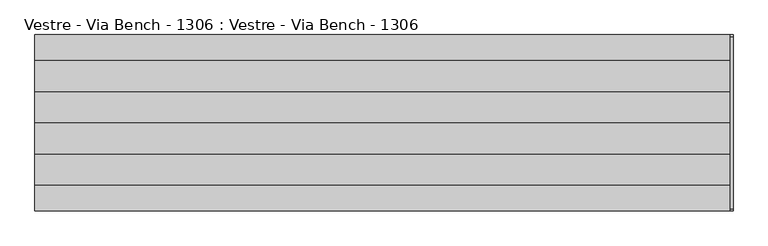
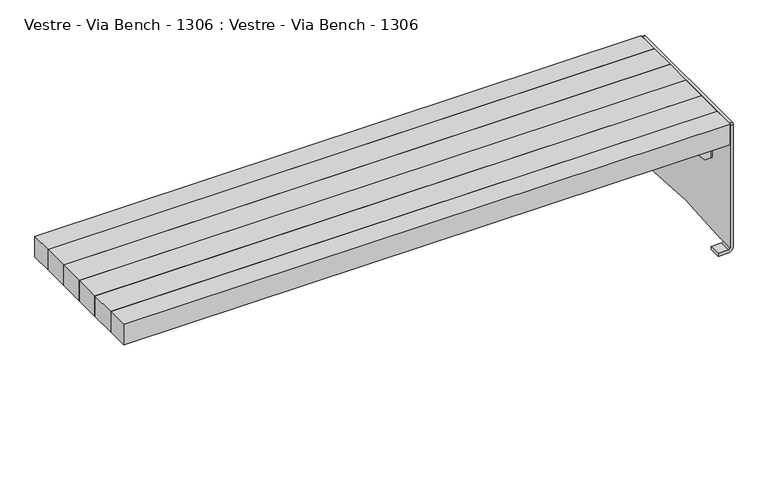
"""IFC4 building model written with IfcOpenShell, lengths in millimetres: furniture geometry, Vestre - Via Bench - 1306 : Vestre - Via Bench - 1306."""

from ifc_helpers import new_model, si_unit, frame, origin, place, context, project, spatial, polyline, circle_curve, outline, extrude, source, transform, mapped, element, save
from ifc_brep_helpers import plane_surface, cylinder_surface, revolved_surface, advanced_brep


def vestre_via_bench_1306_vestre_via_bench_1306_ed1a1307(model_context):
    return source(origin(), model_context, "Body", "SolidModel", [
        extrude(outline(polyline([(1004.9999893, 0.0), (1004.9999893, -89.7651997), (-1004.9999893, -89.7651997), (-1004.9999893, 0.0), (1004.9999893, 0.0)])), frame((0.0, 0.0, 378.0003783), z_axis=(0.0, 0.0, 1.0), x_axis=(1.0, 0.0, 0.0)), (0.0, 0.0, 1.0), 72.0),
        extrude(outline(polyline([(1004.9999893, -89.7651997), (1004.9999893, -179.7651997), (-1004.9999893, -179.7651997), (-1004.9999893, -89.7651997), (1004.9999893, -89.7651997)])), frame((0.0, 0.0, 378.0003783), z_axis=(0.0, 0.0, 1.0), x_axis=(1.0, 0.0, 0.0)), (0.0, 0.0, 1.0), 72.0),
        extrude(outline(polyline([(1004.9999893, -179.7651997), (1004.9999893, -255.0), (-1004.9999893, -255.0), (-1004.9999893, -179.7651997), (1004.9999893, -179.7651997)])), frame((0.0, 0.0, 378.0003783), z_axis=(0.0, 0.0, 1.0), x_axis=(1.0, 0.0, 0.0)), (0.0, 0.0, 1.0), 72.0),
        extrude(outline(polyline([(1004.9999893, 89.7651997), (1004.9999893, 0.0), (-1004.9999893, 0.0), (-1004.9999893, 89.7651997), (1004.9999893, 89.7651997)])), frame((0.0, 0.0, 378.0003783), z_axis=(0.0, 0.0, 1.0), x_axis=(1.0, 0.0, 0.0)), (0.0, 0.0, 1.0), 72.0),
        extrude(outline(polyline([(1004.9999893, 179.7651997), (1004.9999893, 89.7651997), (-1004.9999893, 89.7651997), (-1004.9999893, 179.7651997), (1004.9999893, 179.7651997)])), frame((0.0, 0.0, 378.0003783), z_axis=(0.0, 0.0, 1.0), x_axis=(1.0, 0.0, 0.0)), (0.0, 0.0, 1.0), 72.0),
        extrude(outline(polyline([(1004.9999893, 255.0), (1004.9999893, 179.7651997), (-1004.9999893, 179.7651997), (-1004.9999893, 255.0), (1004.9999893, 255.0)])), frame((0.0, 0.0, 378.0003783), z_axis=(0.0, 0.0, 1.0), x_axis=(1.0, 0.0, 0.0)), (0.0, 0.0, 1.0), 72.0),
        advanced_brep(
        [(885.5, -29.3, 378.0003634), (885.5, -60.7, 378.0003634), (888.5, -63.7, 378.0003634), (921.5, -63.7, 378.0003634), (924.5, -66.7, 378.0003634), (924.5, -113.3, 378.0003634), (921.5, -116.3, 378.0003634), (888.5, -116.3, 378.0003634), (885.5, -119.3, 378.0003634), (885.5, -150.7, 378.0003634), (888.5, -153.7, 378.0003634), (921.5, -153.7, 378.0003634), (924.5, -156.7, 378.0003634), (924.5, -203.3, 378.0003634), (921.5, -206.3, 378.0003634), (888.5, -206.3, 378.0003634), (885.5, -209.3, 378.0003634), (885.5, -240.5, 378.0003634), (888.5, -243.5, 378.0003634), (943.5, -243.5, 378.0003634), (946.5, -240.5, 378.0003634), (946.5, -156.6, 378.0003634), (949.5, -153.6, 378.0003634), (998.0, -153.6, 378.0003634), (998.0, -151.6, 378.0003634), (998.0, 151.6, 378.0003634), (998.0, 153.6, 378.0003634), (949.5, 153.6, 378.0003634), (946.5, 156.6, 378.0003634), (946.5, 240.5, 378.0003634), (943.5, 243.5, 378.0003634), (888.5, 243.5, 378.0003634), (885.5, 240.5, 378.0003634), (885.5, 209.3, 378.0003634), (888.5, 206.3, 378.0003634), (921.5, 206.3, 378.0003634), (924.5, 203.3, 378.0003634), (924.5, 156.7, 378.0003634), (921.5, 153.7, 378.0003634), (888.5, 153.7, 378.0003634), (885.5, 150.7, 378.0003634), (885.5, 119.3, 378.0003634), (888.5, 116.3, 378.0003634), (921.5, 116.3, 378.0003634), (924.5, 113.3, 378.0003634), (924.5, 66.7, 378.0003634), (921.5, 63.7, 378.0003634), (888.5, 63.7, 378.0003634), (885.5, 60.7, 378.0003634), (885.5, 29.3, 378.0003634), (888.5, 26.3, 378.0003634), (921.5, 26.3, 378.0003634), (924.5, 23.3, 378.0003634), (924.5, -23.3, 378.0003634), (921.5, -26.3, 378.0003634), (888.5, -26.3, 378.0003634), (949.5, -63.7, 378.0003634), (992.5, -63.7, 378.0003634), (995.5, -66.7, 378.0003634), (995.5, -113.3, 378.0003634), (992.5, -116.3, 378.0003634), (949.5, -116.3, 378.0003634), (946.5, -113.3, 378.0003634), (946.5, -66.7, 378.0003634), (949.5, 26.3, 378.0003634), (992.5, 26.3, 378.0003634), (995.5, 23.3, 378.0003634), (995.5, -26.3, 378.0003634), (949.5, -26.3, 378.0003634), (946.5, -23.3, 378.0003634), (946.5, 23.3, 378.0003634), (949.5, 116.3, 378.0003634), (992.5, 116.3, 378.0003634), (995.5, 113.3, 378.0003634), (995.5, 66.7, 378.0003634), (992.5, 63.7, 378.0003634), (949.5, 63.7, 378.0003634), (946.5, 66.7, 378.0003634), (946.5, 113.3, 378.0003634), (885.5, -29.3, 373.0003634), (888.5, -26.3, 373.0003634), (921.5, -26.3, 373.0003634), (924.5, -23.3, 373.0003634), (924.5, 23.3, 373.0003634), (921.5, 26.3, 373.0003634), (888.5, 26.3, 373.0003634), (885.5, 29.3, 373.0003634), (885.5, 60.7, 373.0003634), (888.5, 63.7, 373.0003634), (921.5, 63.7, 373.0003634), (924.5, 66.7, 373.0003634), (924.5, 113.3, 373.0003634), (921.5, 116.3, 373.0003634), (888.5, 116.3, 373.0003634), (885.5, 119.3, 373.0003634), (885.5, 150.7, 373.0003634), (888.5, 153.7, 373.0003634), (921.5, 153.7, 373.0003634), (924.5, 156.7, 373.0003634), (924.5, 203.3, 373.0003634), (921.5, 206.3, 373.0003634), (888.5, 206.3, 373.0003634), (885.5, 209.3, 373.0003634), (885.5, 240.5, 373.0003634), (888.5, 243.5, 373.0003634), (943.5, 243.5, 373.0003634), (946.5, 240.5, 373.0003634), (946.5, 156.6, 373.0003634), (949.5, 153.6, 373.0003634), (998.0, 153.6, 373.0003634), (998.0, 151.6, 373.0003634), (998.0, -151.6, 373.0003634), (998.0, -153.6, 373.0003634), (949.5, -153.6, 373.0003634), (946.5, -156.6, 373.0003634), (946.5, -240.5, 373.0003634), (943.5, -243.5, 373.0003634), (888.5, -243.5, 373.0003634), (885.5, -240.5, 373.0003634), (885.5, -209.3, 373.0003634), (888.5, -206.3, 373.0003634), (921.5, -206.3, 373.0003634), (924.5, -203.3, 373.0003634), (924.5, -156.7, 373.0003634), (921.5, -153.7, 373.0003634), (888.5, -153.7, 373.0003634), (885.5, -150.7, 373.0003634), (885.5, -119.3, 373.0003634), (888.5, -116.3, 373.0003634), (921.5, -116.3, 373.0003634), (924.5, -113.3, 373.0003634), (924.5, -66.7, 373.0003634), (921.5, -63.7, 373.0003634), (888.5, -63.7, 373.0003634), (885.5, -60.7, 373.0003634), (949.5, -63.7, 373.0003634), (946.5, -66.7, 373.0003634), (946.5, -113.3, 373.0003634), (949.5, -116.3, 373.0003634), (992.5, -116.3, 373.0003634), (995.5, -113.3, 373.0003634), (995.5, -66.7, 373.0003634), (992.5, -63.7, 373.0003634), (949.5, 26.3, 373.0003634), (946.5, 23.3, 373.0003634), (946.5, -23.3, 373.0003634), (949.5, -26.3, 373.0003634), (995.5, -26.3, 373.0003634), (995.5, 23.3, 373.0003634), (992.5, 26.3, 373.0003634), (949.5, 116.3, 373.0003634), (946.5, 113.3, 373.0003634), (946.5, 66.7, 373.0003634), (949.5, 63.7, 373.0003634), (992.5, 63.7, 373.0003634), (995.5, 66.7, 373.0003634), (995.5, 113.3, 373.0003634), (992.5, 116.3, 373.0003634), (1000.0, -151.6, 371.0003634), (1005.0, -151.6, 371.0003634), (1005.0, 151.6, 371.0003634), (1000.0, 151.6, 371.0003634), (1005.0, -151.6, 275.8503634), (1005.0, 151.6, 275.8503634), (998.0, -158.6, 275.8503634), (979.2967433, -158.6, 275.8503634), (979.2967433, -153.6, 275.8503634), (998.0, -153.6, 275.8503634), (1000.0, -151.6, 275.8503634), (1000.0, 151.6, 275.8503634), (998.0, 153.6, 275.8503634), (979.2967433, 153.6, 275.8503634), (979.2967433, 158.6, 275.8503634), (998.0, 158.6, 275.8503634), (988.5, -158.6, 371.0003634), (998.0, -158.6, 371.0003634), (998.0, -153.6, 371.0003634), (988.5, -153.6, 371.0003634), (977.1115366, -153.6, 276.7949141), (889.3083814, -153.6, 370.1409501), (888.5, -153.6, 372.0003634), (988.5, -153.6, 372.0003634), (988.5, -158.6, 372.0003634), (888.5, -158.6, 372.0003634), (889.3083814, -158.6, 370.1409501), (977.1115366, -158.6, 276.7949141), (988.5, 153.6, 371.0003634), (998.0, 153.6, 371.0003634), (998.0, 158.6, 371.0003634), (988.5, 158.6, 371.0003634), (988.5, 153.6, 372.0003634), (888.5, 153.6, 372.0003634), (889.3083814, 153.6, 370.1409501), (977.1115366, 153.6, 276.7949141), (977.1115366, 158.6, 276.7949141), (889.3083814, 158.6, 370.1409501), (888.5, 158.6, 372.0003634), (988.5, 158.6, 372.0003634)],
        [
            (0, 1),
            (1, 2, circle_curve(frame((888.5, -60.7, 378.0003634), z_axis=(0.0, 0.0, 1.0), x_axis=(-1.0, 0.0, 0.0)), 3.0)),
            (2, 3),
            (3, 4, circle_curve(frame((921.5, -66.7, 378.0003634), z_axis=(0.0, 0.0, -1.0), x_axis=(1.0, 0.0, 0.0)), 3.0)),
            (4, 5),
            (5, 6, circle_curve(frame((921.5, -113.3, 378.0003634), z_axis=(0.0, 0.0, -1.0), x_axis=(0.0, -1.0, 0.0)), 3.0)),
            (6, 7),
            (7, 8, circle_curve(frame((888.5, -119.3, 378.0003634), z_axis=(0.0, 0.0, 1.0), x_axis=(0.0, 1.0, 0.0)), 3.0)),
            (8, 9),
            (9, 10, circle_curve(frame((888.5, -150.7, 378.0003634), z_axis=(0.0, 0.0, 1.0), x_axis=(-1.0, 0.0, 0.0)), 3.0)),
            (10, 11),
            (11, 12, circle_curve(frame((921.5, -156.7, 378.0003634), z_axis=(0.0, 0.0, -1.0), x_axis=(1.0, 0.0, 0.0)), 3.0)),
            (12, 13),
            (13, 14, circle_curve(frame((921.5, -203.3, 378.0003634), z_axis=(0.0, 0.0, -1.0), x_axis=(0.0, -1.0, 0.0)), 3.0)),
            (14, 15),
            (15, 16, circle_curve(frame((888.5, -209.3, 378.0003634), z_axis=(0.0, 0.0, 1.0), x_axis=(0.0, 1.0, 0.0)), 3.0)),
            (16, 17),
            (17, 18, circle_curve(frame((888.5, -240.5, 378.0003634), z_axis=(0.0, 0.0, 1.0), x_axis=(-1.0, 0.0, 0.0)), 3.0)),
            (18, 19),
            (19, 20, circle_curve(frame((943.5, -240.5, 378.0003634), z_axis=(0.0, 0.0, 1.0), x_axis=(0.0, -1.0, 0.0)), 3.0)),
            (20, 21),
            (21, 22, circle_curve(frame((949.5, -156.6, 378.0003634), z_axis=(0.0, 0.0, -1.0), x_axis=(0.0, 1.0, 0.0)), 3.0)),
            (22, 23),
            (23, 24),
            (24, 25),
            (25, 26),
            (26, 27),
            (27, 28, circle_curve(frame((949.5, 156.6, 378.0003634), z_axis=(0.0, 0.0, -1.0), x_axis=(-1.0, 0.0, 0.0)), 3.0)),
            (28, 29),
            (29, 30, circle_curve(frame((943.5, 240.5, 378.0003634), z_axis=(0.0, 0.0, 1.0), x_axis=(0.0, 1.0, 0.0)), 3.0)),
            (30, 31),
            (31, 32, circle_curve(frame((888.5, 240.5, 378.0003634), z_axis=(0.0, 0.0, 1.0), x_axis=(0.0, 1.0, 0.0)), 3.0)),
            (32, 33),
            (33, 34, circle_curve(frame((888.5, 209.3, 378.0003634), z_axis=(0.0, 0.0, 1.0), x_axis=(-1.0, 0.0, 0.0)), 3.0)),
            (34, 35),
            (35, 36, circle_curve(frame((921.5, 203.3, 378.0003634), z_axis=(0.0, 0.0, -1.0), x_axis=(1.0, 0.0, 0.0)), 3.0)),
            (36, 37),
            (37, 38, circle_curve(frame((921.5, 156.7, 378.0003634), z_axis=(0.0, 0.0, -1.0), x_axis=(0.0, -1.0, 0.0)), 3.0)),
            (38, 39),
            (39, 40, circle_curve(frame((888.5, 150.7, 378.0003634), z_axis=(0.0, 0.0, 1.0), x_axis=(0.0, 1.0, 0.0)), 3.0)),
            (40, 41),
            (41, 42, circle_curve(frame((888.5, 119.3, 378.0003634), z_axis=(0.0, 0.0, 1.0), x_axis=(-1.0, 0.0, 0.0)), 3.0)),
            (42, 43),
            (43, 44, circle_curve(frame((921.5, 113.3, 378.0003634), z_axis=(0.0, 0.0, -1.0), x_axis=(1.0, 0.0, 0.0)), 3.0)),
            (44, 45),
            (45, 46, circle_curve(frame((921.5, 66.7, 378.0003634), z_axis=(0.0, 0.0, -1.0), x_axis=(0.0, -1.0, 0.0)), 3.0)),
            (46, 47),
            (47, 48, circle_curve(frame((888.5, 60.7, 378.0003634), z_axis=(0.0, 0.0, 1.0), x_axis=(0.0, 1.0, 0.0)), 3.0)),
            (48, 49),
            (49, 50, circle_curve(frame((888.5, 29.3, 378.0003634), z_axis=(0.0, 0.0, 1.0), x_axis=(-1.0, 0.0, 0.0)), 3.0)),
            (50, 51),
            (51, 52, circle_curve(frame((921.5, 23.3, 378.0003634), z_axis=(0.0, 0.0, -1.0), x_axis=(1.0, 0.0, 0.0)), 3.0)),
            (52, 53),
            (53, 54, circle_curve(frame((921.5, -23.3, 378.0003634), z_axis=(0.0, 0.0, -1.0), x_axis=(0.0, -1.0, 0.0)), 3.0)),
            (54, 55),
            (55, 0, circle_curve(frame((888.5, -29.3, 378.0003634), z_axis=(0.0, 0.0, 1.0), x_axis=(0.0, 1.0, 0.0)), 3.0)),
            (56, 57),
            (57, 58, circle_curve(frame((992.5, -66.7, 378.0003634), z_axis=(0.0, 0.0, -1.0), x_axis=(1.0, 0.0, 0.0)), 3.0)),
            (58, 59),
            (59, 60, circle_curve(frame((992.5, -113.3, 378.0003634), z_axis=(0.0, 0.0, -1.0), x_axis=(0.0, -1.0, 0.0)), 3.0)),
            (60, 61),
            (61, 62, circle_curve(frame((949.5, -113.3, 378.0003634), z_axis=(0.0, 0.0, -1.0), x_axis=(-1.0, 0.0, 0.0)), 3.0)),
            (62, 63),
            (63, 56, circle_curve(frame((949.5, -66.7, 378.0003634), z_axis=(0.0, 0.0, -1.0), x_axis=(0.0, 1.0, 0.0)), 3.0)),
            (64, 65),
            (65, 66, circle_curve(frame((992.5, 23.3, 378.0003634), z_axis=(0.0, 0.0, -1.0), x_axis=(1.0, 0.0, 0.0)), 3.0)),
            (66, 67),
            (67, 68),
            (68, 69, circle_curve(frame((949.5, -23.3, 378.0003634), z_axis=(0.0, 0.0, -1.0), x_axis=(-1.0, 0.0, 0.0)), 3.0)),
            (69, 70),
            (70, 64, circle_curve(frame((949.5, 23.3, 378.0003634), z_axis=(0.0, 0.0, -1.0), x_axis=(0.0, 1.0, 0.0)), 3.0)),
            (71, 72),
            (72, 73, circle_curve(frame((992.5, 113.3, 378.0003634), z_axis=(0.0, 0.0, -1.0), x_axis=(1.0, 0.0, 0.0)), 3.0)),
            (73, 74),
            (74, 75, circle_curve(frame((992.5, 66.7, 378.0003634), z_axis=(0.0, 0.0, -1.0), x_axis=(0.0, -1.0, 0.0)), 3.0)),
            (75, 76),
            (76, 77, circle_curve(frame((949.5, 66.7, 378.0003634), z_axis=(0.0, 0.0, -1.0), x_axis=(-1.0, 0.0, 0.0)), 3.0)),
            (77, 78),
            (78, 71, circle_curve(frame((949.5, 113.3, 378.0003634), z_axis=(0.0, 0.0, -1.0), x_axis=(0.0, 1.0, 0.0)), 3.0)),
            (79, 80, circle_curve(frame((888.5, -29.3, 373.0003634), z_axis=(0.0, 0.0, -1.0), x_axis=(0.0, 1.0, 0.0)), 3.0)),
            (80, 81),
            (81, 82, circle_curve(frame((921.5, -23.3, 373.0003634), z_axis=(0.0, 0.0, 1.0), x_axis=(0.0, -1.0, 0.0)), 3.0)),
            (82, 83),
            (83, 84, circle_curve(frame((921.5, 23.3, 373.0003634), z_axis=(0.0, 0.0, 1.0), x_axis=(1.0, 0.0, 0.0)), 3.0)),
            (84, 85),
            (85, 86, circle_curve(frame((888.5, 29.3, 373.0003634), z_axis=(0.0, 0.0, -1.0), x_axis=(-1.0, 0.0, 0.0)), 3.0)),
            (86, 87),
            (87, 88, circle_curve(frame((888.5, 60.7, 373.0003634), z_axis=(0.0, 0.0, -1.0), x_axis=(0.0, 1.0, 0.0)), 3.0)),
            (88, 89),
            (89, 90, circle_curve(frame((921.5, 66.7, 373.0003634), z_axis=(0.0, 0.0, 1.0), x_axis=(0.0, -1.0, 0.0)), 3.0)),
            (90, 91),
            (91, 92, circle_curve(frame((921.5, 113.3, 373.0003634), z_axis=(0.0, 0.0, 1.0), x_axis=(1.0, 0.0, 0.0)), 3.0)),
            (92, 93),
            (93, 94, circle_curve(frame((888.5, 119.3, 373.0003634), z_axis=(0.0, 0.0, -1.0), x_axis=(-1.0, 0.0, 0.0)), 3.0)),
            (94, 95),
            (95, 96, circle_curve(frame((888.5, 150.7, 373.0003634), z_axis=(0.0, 0.0, -1.0), x_axis=(0.0, 1.0, 0.0)), 3.0)),
            (96, 97),
            (97, 98, circle_curve(frame((921.5, 156.7, 373.0003634), z_axis=(0.0, 0.0, 1.0), x_axis=(0.0, -1.0, 0.0)), 3.0)),
            (98, 99),
            (99, 100, circle_curve(frame((921.5, 203.3, 373.0003634), z_axis=(0.0, 0.0, 1.0), x_axis=(1.0, 0.0, 0.0)), 3.0)),
            (100, 101),
            (101, 102, circle_curve(frame((888.5, 209.3, 373.0003634), z_axis=(0.0, 0.0, -1.0), x_axis=(-1.0, 0.0, 0.0)), 3.0)),
            (102, 103),
            (103, 104, circle_curve(frame((888.5, 240.5, 373.0003634), z_axis=(0.0, 0.0, -1.0), x_axis=(0.0, 1.0, 0.0)), 3.0)),
            (104, 105),
            (105, 106, circle_curve(frame((943.5, 240.5, 373.0003634), z_axis=(0.0, 0.0, -1.0), x_axis=(0.0, 1.0, 0.0)), 3.0)),
            (106, 107),
            (107, 108, circle_curve(frame((949.5, 156.6, 373.0003634), z_axis=(0.0, 0.0, 1.0), x_axis=(-1.0, 0.0, 0.0)), 3.0)),
            (108, 109),
            (109, 110),
            (110, 111),
            (111, 112),
            (112, 113),
            (113, 114, circle_curve(frame((949.5, -156.6, 373.0003634), z_axis=(0.0, 0.0, 1.0), x_axis=(0.0, 1.0, 0.0)), 3.0)),
            (114, 115),
            (115, 116, circle_curve(frame((943.5, -240.5, 373.0003634), z_axis=(0.0, 0.0, -1.0), x_axis=(0.0, -1.0, 0.0)), 3.0)),
            (116, 117),
            (117, 118, circle_curve(frame((888.5, -240.5, 373.0003634), z_axis=(0.0, 0.0, -1.0), x_axis=(-1.0, 0.0, 0.0)), 3.0)),
            (118, 119),
            (119, 120, circle_curve(frame((888.5, -209.3, 373.0003634), z_axis=(0.0, 0.0, -1.0), x_axis=(0.0, 1.0, 0.0)), 3.0)),
            (120, 121),
            (121, 122, circle_curve(frame((921.5, -203.3, 373.0003634), z_axis=(0.0, 0.0, 1.0), x_axis=(0.0, -1.0, 0.0)), 3.0)),
            (122, 123),
            (123, 124, circle_curve(frame((921.5, -156.7, 373.0003634), z_axis=(0.0, 0.0, 1.0), x_axis=(1.0, 0.0, 0.0)), 3.0)),
            (124, 125),
            (125, 126, circle_curve(frame((888.5, -150.7, 373.0003634), z_axis=(0.0, 0.0, -1.0), x_axis=(-1.0, 0.0, 0.0)), 3.0)),
            (126, 127),
            (127, 128, circle_curve(frame((888.5, -119.3, 373.0003634), z_axis=(0.0, 0.0, -1.0), x_axis=(0.0, 1.0, 0.0)), 3.0)),
            (128, 129),
            (129, 130, circle_curve(frame((921.5, -113.3, 373.0003634), z_axis=(0.0, 0.0, 1.0), x_axis=(0.0, -1.0, 0.0)), 3.0)),
            (130, 131),
            (131, 132, circle_curve(frame((921.5, -66.7, 373.0003634), z_axis=(0.0, 0.0, 1.0), x_axis=(1.0, 0.0, 0.0)), 3.0)),
            (132, 133),
            (133, 134, circle_curve(frame((888.5, -60.7, 373.0003634), z_axis=(0.0, 0.0, -1.0), x_axis=(-1.0, 0.0, 0.0)), 3.0)),
            (134, 79),
            (135, 136, circle_curve(frame((949.5, -66.7, 373.0003634), z_axis=(0.0, 0.0, 1.0), x_axis=(0.0, 1.0, 0.0)), 3.0)),
            (136, 137),
            (137, 138, circle_curve(frame((949.5, -113.3, 373.0003634), z_axis=(0.0, 0.0, 1.0), x_axis=(-1.0, 0.0, 0.0)), 3.0)),
            (138, 139),
            (139, 140, circle_curve(frame((992.5, -113.3, 373.0003634), z_axis=(0.0, 0.0, 1.0), x_axis=(0.0, -1.0, 0.0)), 3.0)),
            (140, 141),
            (141, 142, circle_curve(frame((992.5, -66.7, 373.0003634), z_axis=(0.0, 0.0, 1.0), x_axis=(1.0, 0.0, 0.0)), 3.0)),
            (142, 135),
            (143, 144, circle_curve(frame((949.5, 23.3, 373.0003634), z_axis=(0.0, 0.0, 1.0), x_axis=(0.0, 1.0, 0.0)), 3.0)),
            (144, 145),
            (145, 146, circle_curve(frame((949.5, -23.3, 373.0003634), z_axis=(0.0, 0.0, 1.0), x_axis=(-1.0, 0.0, 0.0)), 3.0)),
            (146, 147),
            (147, 148),
            (148, 149, circle_curve(frame((992.5, 23.3, 373.0003634), z_axis=(0.0, 0.0, 1.0), x_axis=(1.0, 0.0, 0.0)), 3.0)),
            (149, 143),
            (150, 151, circle_curve(frame((949.5, 113.3, 373.0003634), z_axis=(0.0, 0.0, 1.0), x_axis=(0.0, 1.0, 0.0)), 3.0)),
            (151, 152),
            (152, 153, circle_curve(frame((949.5, 66.7, 373.0003634), z_axis=(0.0, 0.0, 1.0), x_axis=(-1.0, 0.0, 0.0)), 3.0)),
            (153, 154),
            (154, 155, circle_curve(frame((992.5, 66.7, 373.0003634), z_axis=(0.0, 0.0, 1.0), x_axis=(0.0, -1.0, 0.0)), 3.0)),
            (155, 156),
            (156, 157, circle_curve(frame((992.5, 113.3, 373.0003634), z_axis=(0.0, 0.0, 1.0), x_axis=(1.0, 0.0, 0.0)), 3.0)),
            (157, 150),
            (55, 80),
            (79, 0),
            (54, 81),
            (53, 82),
            (52, 83),
            (51, 84),
            (50, 85),
            (49, 86),
            (48, 87),
            (47, 88),
            (46, 89),
            (45, 90),
            (44, 91),
            (43, 92),
            (42, 93),
            (41, 94),
            (40, 95),
            (39, 96),
            (38, 97),
            (37, 98),
            (36, 99),
            (35, 100),
            (34, 101),
            (33, 102),
            (32, 103),
            (31, 104),
            (30, 105),
            (29, 106),
            (28, 107),
            (27, 108),
            (26, 109),
            (25, 110),
            (23, 112),
            (111, 24),
            (22, 113),
            (21, 114),
            (20, 115),
            (19, 116),
            (18, 117),
            (17, 118),
            (16, 119),
            (15, 120),
            (14, 121),
            (13, 122),
            (12, 123),
            (11, 124),
            (10, 125),
            (9, 126),
            (8, 127),
            (7, 128),
            (6, 129),
            (5, 130),
            (4, 131),
            (3, 132),
            (2, 133),
            (1, 134),
            (63, 136),
            (135, 56),
            (62, 137),
            (61, 138),
            (60, 139),
            (59, 140),
            (58, 141),
            (57, 142),
            (70, 144),
            (143, 64),
            (69, 145),
            (68, 146),
            (67, 147),
            (66, 148),
            (65, 149),
            (78, 151),
            (150, 71),
            (77, 152),
            (76, 153),
            (75, 154),
            (74, 155),
            (73, 156),
            (72, 157),
            (111, 158, circle_curve(frame((998.0, -151.6, 371.0003634), z_axis=(0.0, 1.0, 0.0), x_axis=(-1.0, 0.0, 0.0)), 2.0)),
            (158, 159),
            (159, 24, circle_curve(frame((998.0, -151.6, 371.0003634), z_axis=(0.0, -1.0, 0.0), x_axis=(-1.0, 0.0, 0.0)), 7.0)),
            (25, 160, circle_curve(frame((998.0, 151.6, 371.0003634), z_axis=(0.0, 1.0, 0.0), x_axis=(-1.0, 0.0, 0.0)), 7.0)),
            (160, 161),
            (161, 110, circle_curve(frame((998.0, 151.6, 371.0003634), z_axis=(0.0, -1.0, 0.0), x_axis=(-1.0, 0.0, 0.0)), 2.0)),
            (159, 160),
            (161, 158),
            (159, 162),
            (162, 163),
            (163, 160),
            (162, 164, circle_curve(frame((998.0, -151.6, 275.8503634), z_axis=(0.0, 0.0, -1.0), x_axis=(-1.0, 0.0, 0.0)), 7.0)),
            (164, 165),
            (165, 166),
            (166, 167),
            (167, 168, circle_curve(frame((998.0, -151.6, 275.8503634), z_axis=(0.0, 0.0, 1.0), x_axis=(-1.0, 0.0, 0.0)), 2.0)),
            (168, 169),
            (169, 170, circle_curve(frame((998.0, 151.6, 275.8503634), z_axis=(0.0, 0.0, 1.0), x_axis=(-1.0, 0.0, 0.0)), 2.0)),
            (170, 171),
            (171, 172),
            (172, 173),
            (173, 163, circle_curve(frame((998.0, 151.6, 275.8503634), z_axis=(0.0, 0.0, -1.0), x_axis=(-1.0, 0.0, 0.0)), 7.0)),
            (161, 169),
            (168, 158),
            (174, 175),
            (175, 159, circle_curve(frame((998.0, -151.6, 371.0003634), z_axis=(0.0, 0.0, 1.0), x_axis=(-1.0, 0.0, 0.0)), 7.0)),
            (158, 176, circle_curve(frame((998.0, -151.6, 371.0003634), z_axis=(0.0, 0.0, -1.0), x_axis=(-1.0, 0.0, 0.0)), 2.0)),
            (176, 177),
            (177, 174),
            (176, 167),
            (166, 178, circle_curve(frame((979.2967433, -153.6, 278.8503634), z_axis=(0.0, 1.0, 0.0), x_axis=(0.0, 0.0, -1.0)), 3.0)),
            (178, 179),
            (179, 180, circle_curve(frame((891.4935881, -153.6, 372.1963993), z_axis=(0.0, 1.0, 0.0), x_axis=(-0.9978627112267325, 0.0, -0.06534531003243231)), 3.0)),
            (180, 181),
            (181, 177),
            (175, 164),
            (174, 182),
            (182, 183),
            (183, 184, circle_curve(frame((891.4935881, -158.6, 372.1963993), z_axis=(0.0, -1.0, 0.0), x_axis=(-0.9978627112267325, 0.0, -0.06534531003243231)), 3.0)),
            (184, 185),
            (185, 165, circle_curve(frame((979.2967433, -158.6, 278.8503634), z_axis=(0.0, -1.0, 0.0), x_axis=(0.0, 0.0, -1.0)), 3.0)),
            (183, 180),
            (179, 184),
            (182, 181),
            (185, 178),
            (186, 187),
            (187, 161, circle_curve(frame((998.0, 151.6, 371.0003634), z_axis=(0.0, 0.0, -1.0), x_axis=(-1.0, 0.0, 0.0)), 2.0)),
            (160, 188, circle_curve(frame((998.0, 151.6, 371.0003634), z_axis=(0.0, 0.0, 1.0), x_axis=(-1.0, 0.0, 0.0)), 7.0)),
            (188, 189),
            (189, 186),
            (186, 190),
            (190, 191),
            (191, 192, circle_curve(frame((891.4935881, 153.6, 372.1963993), z_axis=(0.0, -1.0, 0.0), x_axis=(-0.9978627112267325, 0.0, -0.06534531003243231)), 3.0)),
            (192, 193),
            (193, 171, circle_curve(frame((979.2967433, 153.6, 278.8503634), z_axis=(0.0, -1.0, 0.0), x_axis=(0.0, 0.0, -1.0)), 3.0)),
            (170, 187),
            (173, 188),
            (172, 194, circle_curve(frame((979.2967433, 158.6, 278.8503634), z_axis=(0.0, 1.0, 0.0), x_axis=(0.0, 0.0, -1.0)), 3.0)),
            (194, 195),
            (195, 196, circle_curve(frame((891.4935881, 158.6, 372.1963993), z_axis=(0.0, 1.0, 0.0), x_axis=(-0.9978627112267325, 0.0, -0.06534531003243231)), 3.0)),
            (196, 197),
            (197, 189),
            (195, 192),
            (191, 196),
            (190, 197),
            (193, 194),
        ],
        [
            plane_surface(frame((885.5, -60.7, 378.0003634), z_axis=(0.0, 0.0, 1.0), x_axis=(0.0, -1.0, 0.0))),
            plane_surface(frame((885.5, -60.7, 373.0003634), z_axis=(0.0, 0.0, -1.0), x_axis=(0.0, 1.0, 0.0))),
            cylinder_surface(frame((888.5, -29.3, 373.0003634), z_axis=(0.0, 0.0, 1.0), x_axis=(0.0, 1.0, 0.0)), 3.0),
            plane_surface(frame((921.5, -26.3, 378.0003634), z_axis=(0.0, 1.0, 0.0), x_axis=(0.0, 0.0, -1.0))),
            revolved_surface(polyline([(921.5, -26.3, 373.0003634), (921.5, -26.3, 378.0003634)]), (921.5, -23.3, 373.0003634), (0.0, 0.0, -1.0)),
            plane_surface(frame((924.5, 23.3, 378.0003634), z_axis=(-1.0, 0.0, 0.0), x_axis=(0.0, 0.0, -1.0))),
            revolved_surface(polyline([(924.5, 23.3, 373.0003634), (924.5, 23.3, 378.0003634)]), (921.5, 23.3, 373.0003634), (0.0, 0.0, -1.0)),
            plane_surface(frame((888.5, 26.3, 378.0003634), z_axis=(0.0, -1.0, 0.0), x_axis=(0.0, 0.0, -1.0))),
            cylinder_surface(frame((888.5, 29.3, 373.0003634), z_axis=(0.0, 0.0, 1.0), x_axis=(-1.0, 0.0, 0.0)), 3.0),
            plane_surface(frame((885.5, 60.7, 378.0003634), z_axis=(-1.0, 0.0, 0.0), x_axis=(0.0, 0.0, -1.0))),
            cylinder_surface(frame((888.5, 60.7, 373.0003634), z_axis=(0.0, 0.0, 1.0), x_axis=(0.0, 1.0, 0.0)), 3.0),
            plane_surface(frame((921.5, 63.7, 378.0003634), z_axis=(0.0, 1.0, 0.0), x_axis=(0.0, 0.0, -1.0))),
            revolved_surface(polyline([(921.5, 63.7, 373.0003634), (921.5, 63.7, 378.0003634)]), (921.5, 66.7, 373.0003634), (0.0, 0.0, -1.0)),
            plane_surface(frame((924.5, 113.3, 378.0003634), z_axis=(-1.0, 0.0, 0.0), x_axis=(0.0, 0.0, -1.0))),
            revolved_surface(polyline([(924.5, 113.3, 373.0003634), (924.5, 113.3, 378.0003634)]), (921.5, 113.3, 373.0003634), (0.0, 0.0, -1.0)),
            plane_surface(frame((888.5, 116.3, 378.0003634), z_axis=(0.0, -1.0, 0.0), x_axis=(0.0, 0.0, -1.0))),
            cylinder_surface(frame((888.5, 119.3, 373.0003634), z_axis=(0.0, 0.0, 1.0), x_axis=(-1.0, 0.0, 0.0)), 3.0),
            plane_surface(frame((885.5, 150.7, 378.0003634), z_axis=(-1.0, 0.0, 0.0), x_axis=(0.0, 0.0, -1.0))),
            cylinder_surface(frame((888.5, 150.7, 373.0003634), z_axis=(0.0, 0.0, 1.0), x_axis=(0.0, 1.0, 0.0)), 3.0),
            plane_surface(frame((921.5, 153.7, 378.0003634), z_axis=(0.0, 1.0, 0.0), x_axis=(0.0, 0.0, -1.0))),
            revolved_surface(polyline([(921.5, 153.7, 373.0003634), (921.5, 153.7, 378.0003634)]), (921.5, 156.7, 373.0003634), (0.0, 0.0, -1.0)),
            plane_surface(frame((924.5, 203.3, 378.0003634), z_axis=(-1.0, 0.0, 0.0), x_axis=(0.0, 0.0, -1.0))),
            revolved_surface(polyline([(924.5, 203.3, 373.0003634), (924.5, 203.3, 378.0003634)]), (921.5, 203.3, 373.0003634), (0.0, 0.0, -1.0)),
            plane_surface(frame((888.5, 206.3, 378.0003634), z_axis=(0.0, -1.0, 0.0), x_axis=(0.0, 0.0, -1.0))),
            cylinder_surface(frame((888.5, 209.3, 373.0003634), z_axis=(0.0, 0.0, 1.0), x_axis=(-1.0, 0.0, 0.0)), 3.0),
            plane_surface(frame((885.5, 240.5, 378.0003634), z_axis=(-1.0, 0.0, 0.0), x_axis=(0.0, 0.0, -1.0))),
            cylinder_surface(frame((888.5, 240.5, 373.0003634), z_axis=(0.0, 0.0, 1.0), x_axis=(0.0, 1.0, 0.0)), 3.0),
            plane_surface(frame((943.5, 243.5, 378.0003634), z_axis=(0.0, 1.0, 0.0), x_axis=(0.0, 0.0, -1.0))),
            cylinder_surface(frame((943.5, 240.5, 373.0003634), z_axis=(0.0, 0.0, 1.0), x_axis=(0.0, 1.0, 0.0)), 3.0),
            plane_surface(frame((946.5, 156.6, 378.0003634), z_axis=(1.0, 0.0, 0.0), x_axis=(0.0, 0.0, -1.0))),
            revolved_surface(polyline([(946.5, 156.6, 373.0003634), (946.5, 156.6, 378.0003634)]), (949.5, 156.6, 373.0003634), (0.0, 0.0, -1.0)),
            plane_surface(frame((998.0, 153.6, 378.0003634), z_axis=(0.0, 1.0, 0.0), x_axis=(0.0, 0.0, -1.0))),
            plane_surface(frame((998.0, 151.6, 378.0003634), z_axis=(1.0, 0.0, 0.0), x_axis=(0.0, 0.0, -1.0))),
            plane_surface(frame((998.0, -153.6, 378.0003634), z_axis=(1.0, -5.888090015559755e-12, 0.0), x_axis=(0.0, 0.0, -1.0))),
            plane_surface(frame((949.5, -153.6, 378.0003634), z_axis=(0.0, -1.0, 0.0), x_axis=(0.0, 0.0, -1.0))),
            revolved_surface(polyline([(949.5, -153.6, 373.0003634), (949.5, -153.6, 378.0003634)]), (949.5, -156.6, 373.0003634), (0.0, 0.0, -1.0)),
            plane_surface(frame((946.5, -240.5, 378.0003634), z_axis=(1.0, 0.0, 0.0), x_axis=(0.0, 0.0, -1.0))),
            cylinder_surface(frame((943.5, -240.5, 373.0003634), z_axis=(0.0, 0.0, 1.0), x_axis=(0.0, -1.0, 0.0)), 3.0),
            plane_surface(frame((888.5, -243.5, 378.0003634), z_axis=(0.0, -1.0, 0.0), x_axis=(0.0, 0.0, -1.0))),
            cylinder_surface(frame((888.5, -240.5, 373.0003634), z_axis=(0.0, 0.0, 1.0), x_axis=(-1.0, 0.0, 0.0)), 3.0),
            plane_surface(frame((885.5, -209.3, 378.0003634), z_axis=(-1.0, 0.0, 0.0), x_axis=(0.0, 0.0, -1.0))),
            cylinder_surface(frame((888.5, -209.3, 373.0003634), z_axis=(0.0, 0.0, 1.0), x_axis=(0.0, 1.0, 0.0)), 3.0),
            plane_surface(frame((921.5, -206.3, 378.0003634), z_axis=(0.0, 1.0, 0.0), x_axis=(0.0, 0.0, -1.0))),
            revolved_surface(polyline([(921.5, -206.3, 373.0003634), (921.5, -206.3, 378.0003634)]), (921.5, -203.3, 373.0003634), (0.0, 0.0, -1.0)),
            plane_surface(frame((924.5, -156.7, 378.0003634), z_axis=(-1.0, 0.0, 0.0), x_axis=(0.0, 0.0, -1.0))),
            revolved_surface(polyline([(924.5, -156.7, 373.0003634), (924.5, -156.7, 378.0003634)]), (921.5, -156.7, 373.0003634), (0.0, 0.0, -1.0)),
            plane_surface(frame((888.5, -153.7, 378.0003634), z_axis=(0.0, -1.0, 0.0), x_axis=(0.0, 0.0, -1.0))),
            cylinder_surface(frame((888.5, -150.7, 373.0003634), z_axis=(0.0, 0.0, 1.0), x_axis=(-1.0, 0.0, 0.0)), 3.0),
            plane_surface(frame((885.5, -119.3, 378.0003634), z_axis=(-1.0, 0.0, 0.0), x_axis=(0.0, 0.0, -1.0))),
            cylinder_surface(frame((888.5, -119.3, 373.0003634), z_axis=(0.0, 0.0, 1.0), x_axis=(0.0, 1.0, 0.0)), 3.0),
            plane_surface(frame((921.5, -116.3, 378.0003634), z_axis=(0.0, 1.0, 0.0), x_axis=(0.0, 0.0, -1.0))),
            revolved_surface(polyline([(921.5, -116.3, 373.0003634), (921.5, -116.3, 378.0003634)]), (921.5, -113.3, 373.0003634), (0.0, 0.0, -1.0)),
            plane_surface(frame((924.5, -66.7, 378.0003634), z_axis=(-1.0, 0.0, 0.0), x_axis=(0.0, 0.0, -1.0))),
            revolved_surface(polyline([(924.5, -66.7, 373.0003634), (924.5, -66.7, 378.0003634)]), (921.5, -66.7, 373.0003634), (0.0, 0.0, -1.0)),
            plane_surface(frame((888.5, -63.7, 378.0003634), z_axis=(0.0, -1.0, 0.0), x_axis=(0.0, 0.0, -1.0))),
            cylinder_surface(frame((888.5, -60.7, 373.0003634), z_axis=(0.0, 0.0, 1.0), x_axis=(-1.0, 0.0, 0.0)), 3.0),
            plane_surface(frame((885.5, -29.3, 378.0003634), z_axis=(-1.0, 0.0, 0.0), x_axis=(0.0, 0.0, -1.0))),
            revolved_surface(polyline([(949.5, -63.7, 373.0003634), (949.5, -63.7, 378.0003634)]), (949.5, -66.7, 0.0), (0.0, 0.0, -1.0)),
            plane_surface(frame((946.5, -113.3, 378.0003634), z_axis=(1.0, 0.0, 0.0), x_axis=(0.0, 0.0, -1.0))),
            revolved_surface(polyline([(946.5, -113.3, 373.0003634), (946.5, -113.3, 378.0003634)]), (949.5, -113.3, 0.0), (0.0, 0.0, -1.0)),
            plane_surface(frame((992.5, -116.3, 378.0003634), z_axis=(0.0, 1.0, 0.0), x_axis=(0.0, 0.0, -1.0))),
            revolved_surface(polyline([(992.5, -116.3, 373.0003634), (992.5, -116.3, 378.0003634)]), (992.5, -113.3, 0.0), (0.0, 0.0, -1.0)),
            plane_surface(frame((995.5, -66.7, 378.0003634), z_axis=(-1.0, 0.0, 0.0), x_axis=(0.0, 0.0, -1.0))),
            revolved_surface(polyline([(995.5, -66.7, 373.0003634), (995.5, -66.7, 378.0003634)]), (992.5, -66.7, 0.0), (0.0, 0.0, -1.0)),
            plane_surface(frame((949.5, -63.7, 378.0003634), z_axis=(0.0, -1.0, 0.0), x_axis=(0.0, 0.0, -1.0))),
            revolved_surface(polyline([(949.5, 26.3, 373.0003634), (949.5, 26.3, 378.0003634)]), (949.5, 23.3, 0.0), (0.0, 0.0, -1.0)),
            plane_surface(frame((946.5, -23.3, 378.0003634), z_axis=(1.0, 0.0, 0.0), x_axis=(0.0, 0.0, -1.0))),
            revolved_surface(polyline([(946.5, -23.3, 373.0003634), (946.5, -23.3, 378.0003634)]), (949.5, -23.3, 0.0), (0.0, 0.0, -1.0)),
            plane_surface(frame((995.5, -26.3, 378.0003634), z_axis=(0.0, 1.0, 0.0), x_axis=(0.0, 0.0, -1.0))),
            plane_surface(frame((995.5, 23.3, 378.0003634), z_axis=(-1.0, 0.0, 0.0), x_axis=(0.0, 0.0, -1.0))),
            revolved_surface(polyline([(995.5, 23.3, 373.0003634), (995.5, 23.3, 378.0003634)]), (992.5, 23.3, 0.0), (0.0, 0.0, -1.0)),
            plane_surface(frame((949.5, 26.3, 378.0003634), z_axis=(0.0, -1.0, 0.0), x_axis=(0.0, 0.0, -1.0))),
            revolved_surface(polyline([(949.5, 116.3, 373.0003634), (949.5, 116.3, 378.0003634)]), (949.5, 113.3, 0.0), (0.0, 0.0, -1.0)),
            plane_surface(frame((946.5, 66.7, 378.0003634), z_axis=(1.0, 0.0, 0.0), x_axis=(0.0, 0.0, -1.0))),
            revolved_surface(polyline([(946.5, 66.7, 373.0003634), (946.5, 66.7, 378.0003634)]), (949.5, 66.7, 0.0), (0.0, 0.0, -1.0)),
            plane_surface(frame((992.5, 63.7, 378.0003634), z_axis=(0.0, 1.0, 0.0), x_axis=(0.0, 0.0, -1.0))),
            revolved_surface(polyline([(992.5, 63.7, 373.0003634), (992.5, 63.7, 378.0003634)]), (992.5, 66.7, 0.0), (0.0, 0.0, -1.0)),
            plane_surface(frame((995.5, 113.3, 378.0003634), z_axis=(-1.0, 0.0, 0.0), x_axis=(0.0, 0.0, -1.0))),
            revolved_surface(polyline([(995.5, 113.3, 373.0003634), (995.5, 113.3, 378.0003634)]), (992.5, 113.3, 0.0), (0.0, 0.0, -1.0)),
            plane_surface(frame((949.5, 116.3, 378.0003634), z_axis=(0.0, -1.0, 0.0), x_axis=(0.0, 0.0, -1.0))),
            plane_surface(frame((996.0, -151.6, 371.0003634), z_axis=(0.0, -1.0, 0.0), x_axis=(0.0, 0.0, 1.0))),
            plane_surface(frame((996.0, 151.6, 371.0003634), z_axis=(0.0, 1.0, 0.0), x_axis=(0.0, 0.0, -1.0))),
            cylinder_surface(frame((998.0, 151.6, 371.0003634), z_axis=(0.0, -1.0, 0.0), x_axis=(-1.0, 0.0, 0.0)), 7.0),
            revolved_surface(polyline([(996.0, 151.6, 371.0003634), (996.0, -151.6, 371.0003634)]), (998.0, 151.6, 371.0003634), (0.0, 1.0, 0.0)),
            plane_surface(frame((1005.0, -151.6, 275.8503634), z_axis=(1.0, 0.0, 0.0), x_axis=(0.0, 1.0, 0.0))),
            plane_surface(frame((1000.0, -151.6, 275.8503634), z_axis=(0.0, 0.0, -1.0), x_axis=(0.0, 1.0, 0.0))),
            plane_surface(frame((1000.0, -151.6, 371.0003634), z_axis=(-1.0, 0.0, 0.0), x_axis=(0.0, 1.0, 0.0))),
            plane_surface(frame((998.0, -158.6, 371.0003634), z_axis=(0.0, 0.0, 1.0), x_axis=(1.0, 0.0, 0.0))),
            plane_surface(frame((998.0, -153.6, 371.0003634), z_axis=(0.0, 1.0, 0.0), x_axis=(0.0, 0.0, -1.0))),
            revolved_surface(polyline([(996.0, -151.6, 275.8503634), (996.0, -151.6, 371.0003634)]), (998.0, -151.6, 275.8503634), (0.0, 0.0, -1.0)),
            cylinder_surface(frame((998.0, -151.6, 275.8503634), z_axis=(0.0, 0.0, 1.0), x_axis=(-1.0, 0.0, 0.0)), 7.0),
            plane_surface(frame((988.5, -158.6, 371.0003634), z_axis=(0.0, -1.0, 0.0), x_axis=(0.0, 0.0, -1.0))),
            cylinder_surface(frame((891.4935881, -153.6, 372.1963993), z_axis=(0.0, -1.0, 0.0), x_axis=(-0.9978627112267325, 0.0, -0.06534531003243231)), 3.0),
            plane_surface(frame((988.5, -158.6, 372.0003634), z_axis=(0.0, 0.0, 1.0), x_axis=(0.0, 1.0, 0.0))),
            plane_surface(frame((988.5, -158.6, 371.0003634), z_axis=(1.0, 0.0, 0.0), x_axis=(0.0, 1.0, 0.0))),
            cylinder_surface(frame((979.2967433, -153.6, 278.8503634), z_axis=(0.0, -1.0, 0.0), x_axis=(0.0, 0.0, -1.0)), 3.0),
            plane_surface(frame((889.3083814, -158.6, 370.1409501), z_axis=(-0.7284022295777661, 0.0, -0.6851497587725908), x_axis=(0.0, 1.0, 0.0))),
            plane_surface(frame((988.5, 158.6, 371.0003634), z_axis=(0.0, 0.0, 1.0), x_axis=(0.0, -1.0, 0.0))),
            plane_surface(frame((988.5, 153.6, 371.0003634), z_axis=(0.0, -1.0, 0.0), x_axis=(0.0, 0.0, -1.0))),
            revolved_surface(polyline([(996.0, 151.6, 275.8503634), (996.0, 151.6, 371.0003634)]), (998.0, 151.6, 275.8503634), (0.0, 0.0, -1.0)),
            cylinder_surface(frame((998.0, 151.6, 275.8503634), z_axis=(0.0, 0.0, 1.0), x_axis=(-1.0, 0.0, 0.0)), 7.0),
            plane_surface(frame((998.0, 158.6, 371.0003634), z_axis=(0.0, 1.0, 0.0), x_axis=(0.0, 0.0, -1.0))),
            cylinder_surface(frame((891.4935881, 153.6, 372.1963993), z_axis=(0.0, 1.0, 0.0), x_axis=(-0.9978627112267325, 0.0, -0.06534531003243231)), 3.0),
            plane_surface(frame((888.5, 158.6, 372.0003634), z_axis=(0.0, 0.0, 1.0), x_axis=(0.0, -1.0, 0.0))),
            plane_surface(frame((988.5, 158.6, 372.0003634), z_axis=(1.0, 0.0, 0.0), x_axis=(0.0, -1.0, 0.0))),
            cylinder_surface(frame((979.2967433, 153.6, 278.8503634), z_axis=(0.0, 1.0, 0.0), x_axis=(0.0, 0.0, -1.0)), 3.0),
            plane_surface(frame((977.1115366, 158.6, 276.7949141), z_axis=(-0.7284022295777661, 0.0, -0.6851497587725908), x_axis=(0.0, -1.0, 0.0))),
        ],
        [
            (0, [[1, 2, 3, 4, 5, 6, 7, 8, 9, 10, 11, 12, 13, 14, 15, 16, 17, 18, 19, 20, 21, 22, 23, 24, 25, 26, 27, 28, 29, 30, 31, 32, 33, 34, 35, 36, 37, 38, 39, 40, 41, 42, 43, 44, 45, 46, 47, 48, 49, 50, 51, 52, 53, 54, 55, 56], [57, 58, 59, 60, 61, 62, 63, 64], [65, 66, 67, 68, 69, 70, 71], [72, 73, 74, 75, 76, 77, 78, 79]]),
            (1, [[80, 81, 82, 83, 84, 85, 86, 87, 88, 89, 90, 91, 92, 93, 94, 95, 96, 97, 98, 99, 100, 101, 102, 103, 104, 105, 106, 107, 108, 109, 110, 111, 112, 113, 114, 115, 116, 117, 118, 119, 120, 121, 122, 123, 124, 125, 126, 127, 128, 129, 130, 131, 132, 133, 134, 135], [136, 137, 138, 139, 140, 141, 142, 143], [144, 145, 146, 147, 148, 149, 150], [151, 152, 153, 154, 155, 156, 157, 158]]),
            (2, [[-56, 159, -80, 160]]),
            (3, [[-55, 161, -81, -159]]),
            (4, [[-54, 162, -82, -161]]),
            (5, [[-53, 163, -83, -162]]),
            (6, [[-52, 164, -84, -163]]),
            (7, [[-51, 165, -85, -164]]),
            (8, [[-50, 166, -86, -165]]),
            (9, [[-49, 167, -87, -166]]),
            (10, [[-48, 168, -88, -167]]),
            (11, [[-47, 169, -89, -168]]),
            (12, [[-46, 170, -90, -169]]),
            (13, [[-45, 171, -91, -170]]),
            (14, [[-44, 172, -92, -171]]),
            (15, [[-43, 173, -93, -172]]),
            (16, [[-42, 174, -94, -173]]),
            (17, [[-41, 175, -95, -174]]),
            (18, [[-40, 176, -96, -175]]),
            (19, [[-39, 177, -97, -176]]),
            (20, [[-38, 178, -98, -177]]),
            (21, [[-37, 179, -99, -178]]),
            (22, [[-36, 180, -100, -179]]),
            (23, [[-35, 181, -101, -180]]),
            (24, [[-34, 182, -102, -181]]),
            (25, [[-33, 183, -103, -182]]),
            (26, [[-32, 184, -104, -183]]),
            (27, [[-31, 185, -105, -184]]),
            (28, [[-30, 186, -106, -185]]),
            (29, [[-29, 187, -107, -186]]),
            (30, [[-28, 188, -108, -187]]),
            (31, [[-27, 189, -109, -188]]),
            (32, [[-26, 190, -110, -189]]),
            (33, [[-24, 191, -112, 192]]),
            (34, [[-23, 193, -113, -191]]),
            (35, [[-22, 194, -114, -193]]),
            (36, [[-21, 195, -115, -194]]),
            (37, [[-20, 196, -116, -195]]),
            (38, [[-19, 197, -117, -196]]),
            (39, [[-18, 198, -118, -197]]),
            (40, [[-17, 199, -119, -198]]),
            (41, [[-16, 200, -120, -199]]),
            (42, [[-15, 201, -121, -200]]),
            (43, [[-14, 202, -122, -201]]),
            (44, [[-13, 203, -123, -202]]),
            (45, [[-12, 204, -124, -203]]),
            (46, [[-11, 205, -125, -204]]),
            (47, [[-10, 206, -126, -205]]),
            (48, [[-9, 207, -127, -206]]),
            (49, [[-8, 208, -128, -207]]),
            (50, [[-7, 209, -129, -208]]),
            (51, [[-6, 210, -130, -209]]),
            (52, [[-5, 211, -131, -210]]),
            (53, [[-4, 212, -132, -211]]),
            (54, [[-3, 213, -133, -212]]),
            (55, [[-2, 214, -134, -213]]),
            (56, [[-1, -160, -135, -214]]),
            (57, [[-64, 215, -136, 216]]),
            (58, [[-63, 217, -137, -215]]),
            (59, [[-62, 218, -138, -217]]),
            (60, [[-61, 219, -139, -218]]),
            (61, [[-60, 220, -140, -219]]),
            (62, [[-59, 221, -141, -220]]),
            (63, [[-58, 222, -142, -221]]),
            (64, [[-57, -216, -143, -222]]),
            (65, [[-71, 223, -144, 224]]),
            (66, [[-70, 225, -145, -223]]),
            (67, [[-69, 226, -146, -225]]),
            (68, [[-68, 227, -147, -226]]),
            (69, [[-67, 228, -148, -227]]),
            (70, [[-66, 229, -149, -228]]),
            (71, [[-65, -224, -150, -229]]),
            (72, [[-79, 230, -151, 231]]),
            (73, [[-78, 232, -152, -230]]),
            (74, [[-77, 233, -153, -232]]),
            (75, [[-76, 234, -154, -233]]),
            (76, [[-75, 235, -155, -234]]),
            (77, [[-74, 236, -156, -235]]),
            (78, [[-73, 237, -157, -236]]),
            (79, [[-72, -231, -158, -237]]),
            (80, [[238, 239, 240, -192]]),
            (81, [[241, 242, 243, -190]]),
            (82, [[-240, 244, -241, -25]]),
            (83, [[-238, -111, -243, 245]]),
            (84, [[-244, 246, 247, 248]]),
            (85, [[-247, 249, 250, 251, 252, 253, 254, 255, 256, 257, 258, 259]]),
            (86, [[-245, 260, -254, 261]]),
            (87, [[262, 263, -239, 264, 265, 266]]),
            (88, [[-265, 267, -252, 268, 269, 270, 271, 272]]),
            (89, [[-264, -261, -253, -267]]),
            (90, [[-263, 273, -249, -246]]),
            (91, [[-262, 274, 275, 276, 277, 278, -250, -273]]),
            (92, [[-276, 279, -270, 280]]),
            (93, [[-275, 281, -271, -279]]),
            (94, [[-274, -266, -272, -281]]),
            (95, [[-278, 282, -268, -251]]),
            (96, [[-277, -280, -269, -282]]),
            (97, [[283, 284, -242, 285, 286, 287]]),
            (98, [[-283, 288, 289, 290, 291, 292, -256, 293]]),
            (99, [[-284, -293, -255, -260]]),
            (100, [[-285, -248, -259, 294]]),
            (101, [[-286, -294, -258, 295, 296, 297, 298, 299]]),
            (102, [[-297, 300, -290, 301]]),
            (103, [[-298, -301, -289, 302]]),
            (104, [[-299, -302, -288, -287]]),
            (105, [[-295, -257, -292, 303]]),
            (106, [[-296, -303, -291, -300]]),
        ],
    ),
        advanced_brep(
        [(1014.84, 255.0, 15.8400028), (998.9999972, 255.0, 0.0), (964.9037582, 255.0, 0.0), (964.9037582, 255.0, 9.8400028), (998.9999893, 255.0, 9.8400028), (1004.9999893, 255.0, 15.8400028), (1004.9999893, 255.0, 445.0003634), (1014.84, 255.0, 445.0003634), (1004.9999893, 215.0, 15.8400028), (998.9999893, 215.0, 9.8400028), (964.9037582, 215.0, 9.8400028), (964.9037582, 215.0, 0.0), (998.9999972, 215.0, 0.0), (1014.84, 215.0, 15.8400028), (1004.9999893, 181.9216231, 15.8400028), (1004.9999893, -181.9216231, 15.8400028), (1004.9999893, -215.0, 15.8400028), (1004.9999893, -255.0, 15.8400028), (1004.9999893, -255.0, 445.0003634), (1004.9999893, -250.0, 450.0003634), (1004.9999893, 250.0, 450.0003634), (1014.84, 250.0, 450.0003634), (1014.84, -250.0, 450.0003634), (1014.84, -255.0, 445.0003634), (1014.84, -255.0, 15.8400028), (1014.84, -215.0, 15.8400028), (1014.84, -181.9216231, 15.8400028), (1014.84, 181.9216231, 15.8400028), (998.9999893, -255.0, 9.8400028), (964.9037582, -255.0, 9.8400028), (964.9037582, -255.0, 0.0), (998.9999972, -255.0, 0.0), (998.9999972, -215.0, 0.0), (964.9037582, -215.0, 0.0), (964.9037582, -215.0, 9.8400028), (998.9999893, -215.0, 9.8400028)],
        [
            (0, 1, circle_curve(frame((998.9999972, 255.0, 15.8400028), z_axis=(0.0, 1.0, 0.0), x_axis=(-1.0, 0.0, 0.0)), 15.8400028)),
            (1, 2),
            (2, 3),
            (3, 4),
            (4, 5, circle_curve(frame((998.9999893, 255.0, 15.8400028), z_axis=(0.0, -1.0, 0.0), x_axis=(-1.0, 0.0, 0.0)), 6.0)),
            (5, 6),
            (6, 7),
            (7, 0),
            (8, 9, circle_curve(frame((998.9999893, 215.0, 15.8400028), z_axis=(0.0, 1.0, 0.0), x_axis=(-1.0, 0.0, 0.0)), 6.0)),
            (9, 10),
            (10, 11),
            (11, 12),
            (12, 13, circle_curve(frame((998.9999972, 215.0, 15.8400028), z_axis=(0.0, -1.0, 0.0), x_axis=(-1.0, 0.0, 0.0)), 15.8400028)),
            (13, 8),
            (0, 13),
            (12, 1),
            (11, 2),
            (10, 3),
            (9, 4),
            (8, 5),
            (14, 15, circle_curve(frame((1004.9999893, 0.0, -1343.0365637), z_axis=(1.0, 0.0, 0.0), x_axis=(0.0, 0.13269264997594374, 0.991157233057582)), 1371.0)),
            (15, 16),
            (16, 17),
            (17, 18),
            (18, 19, circle_curve(frame((1004.9999893, -250.0, 445.0003634), z_axis=(-1.0, 0.0, 0.0), x_axis=(0.0, 0.0, 1.0)), 5.0)),
            (19, 20),
            (20, 6, circle_curve(frame((1004.9999893, 250.0, 445.0003634), z_axis=(-1.0, 0.0, 0.0), x_axis=(0.0, 1.0, 0.0)), 5.0)),
            (8, 14),
            (7, 21, circle_curve(frame((1014.84, 250.0, 445.0003634), z_axis=(1.0, 0.0, 0.0), x_axis=(0.0, 1.0, 0.0)), 5.0)),
            (21, 22),
            (22, 23, circle_curve(frame((1014.84, -250.0, 445.0003634), z_axis=(1.0, 0.0, 0.0), x_axis=(0.0, 0.0, 1.0)), 5.0)),
            (23, 24),
            (24, 25),
            (25, 26),
            (26, 27, circle_curve(frame((1014.84, 0.0, -1343.0365637), z_axis=(-1.0, 0.0, 0.0), x_axis=(0.0, 0.13269264997594374, 0.991157233057582)), 1371.0)),
            (27, 13),
            (20, 21),
            (19, 22),
            (18, 23),
            (17, 28, circle_curve(frame((998.9999893, -255.0, 15.8400028), z_axis=(0.0, 1.0, 0.0), x_axis=(-1.0, 0.0, 0.0)), 6.0)),
            (28, 29),
            (29, 30),
            (30, 31),
            (31, 24, circle_curve(frame((998.9999972, -255.0, 15.8400028), z_axis=(0.0, -1.0, 0.0), x_axis=(-1.0, 0.0, 0.0)), 15.8400028)),
            (15, 26),
            (25, 16),
            (14, 27),
            (25, 32, circle_curve(frame((998.9999972, -215.0, 15.8400028), z_axis=(0.0, 1.0, 0.0), x_axis=(-1.0, 0.0, 0.0)), 15.8400028)),
            (32, 33),
            (33, 34),
            (34, 35),
            (35, 16, circle_curve(frame((998.9999893, -215.0, 15.8400028), z_axis=(0.0, -1.0, 0.0), x_axis=(-1.0, 0.0, 0.0)), 6.0)),
            (31, 32),
            (30, 33),
            (29, 34),
            (28, 35),
        ],
        [
            plane_surface(frame((1014.84, 255.0, 15.8400028), z_axis=(0.0, 1.0, 0.0), x_axis=(1.0, 0.0, 0.0))),
            plane_surface(frame((1014.84, 215.0, 15.8400028), z_axis=(0.0, -1.0, 0.0), x_axis=(-1.0, 0.0, 0.0))),
            cylinder_surface(frame((998.9999972, 215.0, 15.8400028), z_axis=(0.0, 1.0, 0.0), x_axis=(-1.0, 0.0, 0.0)), 15.8400028),
            plane_surface(frame((998.9999972, 255.0, 0.0), z_axis=(0.0, 0.0, -1.0), x_axis=(0.0, -1.0, 0.0))),
            plane_surface(frame((964.9037582, 255.0, 0.0), z_axis=(-1.0, 0.0, 0.0), x_axis=(0.0, -1.0, 0.0))),
            plane_surface(frame((964.9037582, 255.0, 9.8400028), z_axis=(0.0, 0.0, 1.0), x_axis=(0.0, -1.0, 0.0))),
            revolved_surface(polyline([(992.9999893, 215.0, 15.8400028), (992.9999893, 255.0, 15.8400028)]), (998.9999893, 215.0, 15.8400028), (0.0, -1.0, 0.0)),
            plane_surface(frame((1004.9999893, 181.9216231, 15.8400028), z_axis=(-1.0, 0.0, 0.0), x_axis=(0.0, -1.0, 0.0))),
            plane_surface(frame((1014.84, 181.9216231, 15.8400028), z_axis=(1.0, 0.0, 0.0), x_axis=(0.0, 1.0, 0.0))),
            cylinder_surface(frame((1014.84, 250.0, 445.0003634), z_axis=(-1.0, 0.0, 0.0), x_axis=(0.0, 1.0, 0.0)), 5.0),
            plane_surface(frame((1004.9999893, -250.0, 450.0003634), z_axis=(0.0, 0.0, 1.0), x_axis=(1.0, 0.0, 0.0))),
            cylinder_surface(frame((1014.84, -250.0, 445.0003634), z_axis=(-1.0, 0.0, 0.0), x_axis=(0.0, 0.0, 1.0)), 5.0),
            plane_surface(frame((1004.9999893, -255.0, 15.8400028), z_axis=(0.0, -1.0, 0.0), x_axis=(1.0, 0.0, 0.0))),
            plane_surface(frame((1004.9999893, -181.9216231, 15.8400028), z_axis=(0.0, 0.0, -1.0), x_axis=(1.0, 0.0, 0.0))),
            revolved_surface(polyline([(1014.84, 181.92162311701887, 15.840002821944836), (1004.9999893, 181.92162311701887, 15.840002821944836)]), (1014.84, 0.0, -1343.0365637), (1.0000000000000002, 0.0, 0.0)),
            plane_surface(frame((1004.9999893, 255.0, 15.8400028), z_axis=(0.0, 0.0, -1.0), x_axis=(1.0, 0.0, 0.0))),
            plane_surface(frame((992.9999893, -215.0, 15.8400028), z_axis=(0.0, 1.0, 0.0), x_axis=(0.0, 0.0, -1.0))),
            cylinder_surface(frame((998.9999972, -215.0, 15.8400028), z_axis=(0.0, -1.0, 0.0), x_axis=(-1.0, 0.0, 0.0)), 15.8400028),
            plane_surface(frame((964.9037582, -255.0, 0.0), z_axis=(0.0, 0.0, -1.0), x_axis=(0.0, 1.0, 0.0))),
            plane_surface(frame((964.9037582, -255.0, 9.8400028), z_axis=(-1.0, 0.0, 0.0), x_axis=(0.0, 1.0, 0.0))),
            plane_surface(frame((998.9999893, -255.0, 9.8400028), z_axis=(0.0, 0.0, 1.0), x_axis=(0.0, 1.0, 0.0))),
            revolved_surface(polyline([(992.9999893, -215.0, 15.8400028), (992.9999893, -255.0, 15.8400028)]), (998.9999893, -215.0, 15.8400028), (0.0, 1.0, 0.0)),
        ],
        [
            (0, [[1, 2, 3, 4, 5, 6, 7, 8]]),
            (1, [[9, 10, 11, 12, 13, 14]]),
            (2, [[-1, 15, -13, 16]]),
            (3, [[-2, -16, -12, 17]]),
            (4, [[-3, -17, -11, 18]]),
            (5, [[-4, -18, -10, 19]]),
            (6, [[-5, -19, -9, 20]]),
            (7, [[21, 22, 23, 24, 25, 26, 27, -6, -20, 28]]),
            (8, [[-8, 29, 30, 31, 32, 33, 34, 35, 36, -15]]),
            (9, [[-27, 37, -29, -7]]),
            (10, [[-26, 38, -30, -37]]),
            (11, [[-25, 39, -31, -38]]),
            (12, [[-24, 40, 41, 42, 43, 44, -32, -39]]),
            (13, [[45, -34, 46, -22]]),
            (14, [[-21, 47, -35, -45]]),
            (15, [[-47, -28, -14, -36]]),
            (16, [[48, 49, 50, 51, 52, -46]]),
            (17, [[-44, 53, -48, -33]]),
            (18, [[-43, 54, -49, -53]]),
            (19, [[-42, 55, -50, -54]]),
            (20, [[-41, 56, -51, -55]]),
            (21, [[-40, -23, -52, -56]]),
        ],
    ),
    ])


if __name__ == "__main__":
    model = new_model("IFC4")
    model_context = context("Model", 3, world=origin())
    ifc_project = project(units=[si_unit("LENGTHUNIT", "METRE", prefix="MILLI")], contexts=[model_context])
    site = spatial("IfcSite", under=ifc_project)
    building = spatial("IfcBuilding", under=site)
    placement = place(None, origin())
    vestre_via_bench_1306_vestre_via_bench_1306_shape = vestre_via_bench_1306_vestre_via_bench_1306_ed1a1307(model_context)
    element("IfcFurniture", 1, ObjectType="Vestre - Via Bench - 1306 : Vestre - Via Bench - 1306", at=placement, inside=building, context=model_context, shape_type="MappedRepresentation", body=[
        mapped(vestre_via_bench_1306_vestre_via_bench_1306_shape, transform((0.0, 0.0, 0.0), x_axis=(1.0, 0.0, 0.0), y_axis=(0.0, 1.0, 0.0), z_axis=(0.0, 0.0, 1.0))),
    ])
    save(model, "model.ifc")
